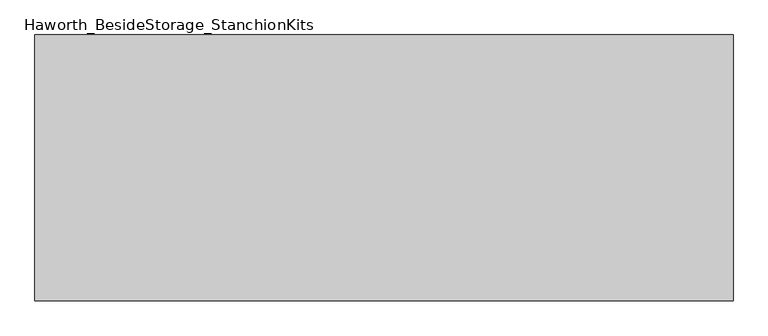
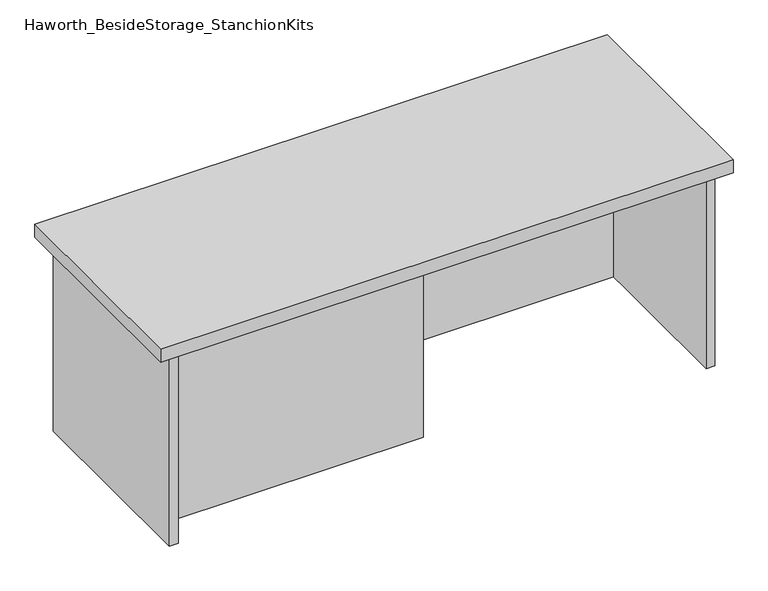
"""IFC4 building model written with IfcOpenShell, lengths in millimetres: furniture geometry, Haworth_BesideStorage_StanchionKits."""

from ifc_helpers import new_model, si_unit, frame, origin, place, context, project, spatial, polyline, outline, extrude, source, transform, mapped, element, save


def haworth_besidestorage_stanchionkits_921f7136(model_context):
    return source(origin(), model_context, "Body", "SweptSolid", [
        extrude(outline(polyline([(695.325, 0.0), (695.325, -406.4), (-371.475, -406.4), (-371.475, 0.0), (695.325, 0.0)])), frame((0.0, 0.0, 812.8), z_axis=(0.0, 0.0, 1.0), x_axis=(1.0, 0.0, 0.0)), (0.0, 0.0, 1.0), 25.4),
        extrude(outline(polyline([(161.925, -76.2), (654.05, -76.2), (654.05, -92.075), (161.925, -92.075), (161.925, -76.2)])), frame((0.0, 0.0, 431.8), z_axis=(0.0, 0.0, 1.0), x_axis=(1.0, 0.0, 0.0)), (0.0, 0.0, 1.0), 381.0),
        extrude(outline(polyline([(161.925, -314.325), (161.925, -330.2), (-330.2, -330.2), (-330.2, -314.325), (161.925, -314.325)])), frame((0.0, 0.0, 431.8), z_axis=(0.0, 0.0, 1.0), x_axis=(1.0, 0.0, 0.0)), (0.0, 0.0, 1.0), 381.0),
        extrude(outline(polyline([(669.925, -390.525), (654.05, -390.525), (654.05, -15.875), (669.925, -15.875), (669.925, -390.525)])), frame((0.0, 0.0, 431.8), z_axis=(0.0, 0.0, 1.0), x_axis=(1.0, 0.0, 0.0)), (0.0, 0.0, 1.0), 381.0),
        extrude(outline(polyline([(-330.2, -390.525), (-346.075, -390.525), (-346.075, -15.875), (-330.2, -15.875), (-330.2, -390.525)])), frame((0.0, 0.0, 431.8), z_axis=(0.0, 0.0, 1.0), x_axis=(1.0, 0.0, 0.0)), (0.0, 0.0, 1.0), 381.0),
    ])


if __name__ == "__main__":
    model = new_model("IFC4")
    model_context = context("Model", 3, world=origin())
    ifc_project = project(units=[si_unit("LENGTHUNIT", "METRE", prefix="MILLI")], contexts=[model_context])
    site = spatial("IfcSite", under=ifc_project)
    building = spatial("IfcBuilding", under=site)
    placement = place(None, origin())
    haworth_besidestorage_stanchionkits_shape = haworth_besidestorage_stanchionkits_921f7136(model_context)
    element("IfcFurniture", 1, ObjectType="Haworth_BesideStorage_StanchionKits", at=placement, inside=building, context=model_context, shape_type="MappedRepresentation", body=[
        mapped(haworth_besidestorage_stanchionkits_shape, transform((0.0, 0.0, 0.0), x_axis=(1.0, 0.0, 0.0), y_axis=(0.0, 1.0, 0.0), z_axis=(0.0, 0.0, 1.0))),
    ])
    save(model, "model.ifc")
